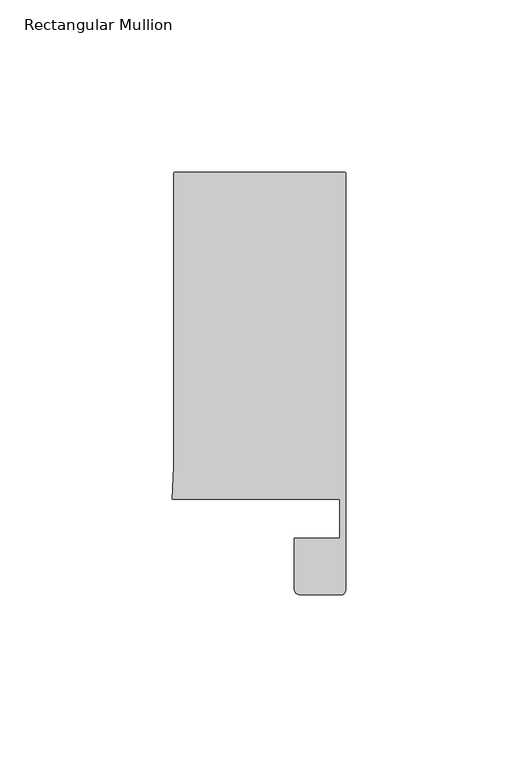
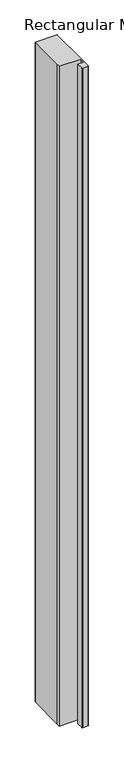
"""IFC4 building model written with IfcOpenShell, lengths in millimetres: member geometry, Rectangular Mullion."""

from ifc_helpers import new_model, si_unit, point, frame, frame_2d, origin, place, context, project, spatial, polyline, circle_curve, trimmed, segment, composite_curve, outline, extrude, source, transform, mapped, element, save


def rectangular_mullion_a40c952c(model_context):
    return source(origin(), model_context, "Body", "SweptSolid", [
        extrude(outline(composite_curve([segment(trimmed(circle_curve(frame_2d((-0.5, 108.495417)), 0.5), [point((-0.5, 108.995417))], [point((0.0, 108.495417))], False, "CARTESIAN"), True, "CONTINUOUS"), segment(polyline([(0.0, 108.495417), (0.0, 14.0), (0.0, -12.3070793)]), True, "CONTINUOUS"), segment(trimmed(circle_curve(frame_2d((-1.5, -12.3070793)), 1.5), [point((0.0, -12.3070793))], [point((-1.5, -13.8070793))], False, "CARTESIAN"), True, "CONTINUOUS"), segment(polyline([(-1.5, -13.8070793), (-13.2119115, -13.8070793)]), True, "CONTINUOUS"), segment(trimmed(circle_curve(frame_2d((-13.2119115, -12.0189908)), 1.7880885), [point((-13.2119115, -13.8070793))], [point((-15.0, -12.0189908))], False, "CARTESIAN"), True, "CONTINUOUS"), segment(polyline([(-15.0, -12.0189908), (-15.0, 2.6022043), (-1.8, 2.6022043), (-1.8, 14.0), (-50.4480459, 14.0), (-50.0, 23.4856858), (-50.0, 108.495417)]), True, "CONTINUOUS"), segment(trimmed(circle_curve(frame_2d((-49.5, 108.495417)), 0.5), [point((-50.0, 108.495417))], [point((-49.5, 108.995417))], False, "CARTESIAN"), True, "CONTINUOUS"), segment(polyline([(-49.5, 108.995417), (-0.5, 108.995417)]), True, "CONTINUOUS")], self_intersect=False)), frame((0.0, 0.0, -1573.4761827), z_axis=(0.0, 0.0, 1.0), x_axis=(1.0, 0.0, 0.0)), (0.0, 0.0, 1.0), 1573.4761827),
    ])


if __name__ == "__main__":
    model = new_model("IFC4")
    model_context = context("Model", 3, world=origin())
    ifc_project = project(units=[si_unit("LENGTHUNIT", "METRE", prefix="MILLI")], contexts=[model_context])
    site = spatial("IfcSite", under=ifc_project)
    building = spatial("IfcBuilding", under=site)
    placement = place(None, origin())
    rectangular_mullion_shape = rectangular_mullion_a40c952c(model_context)
    element("IfcMember", 1, ObjectType="Rectangular Mullion", at=placement, inside=building, context=model_context, shape_type="MappedRepresentation", body=[
        mapped(rectangular_mullion_shape, transform((0.0, 0.0, 0.0), x_axis=(1.0, 0.0, 0.0), y_axis=(0.0, 1.0, 0.0), z_axis=(0.0, 0.0, 1.0))),
    ])
    save(model, "model.ifc")
